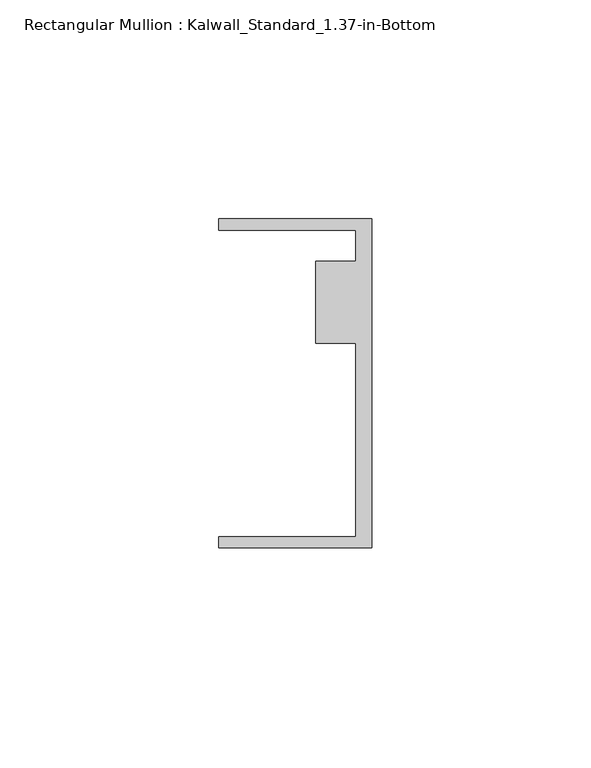
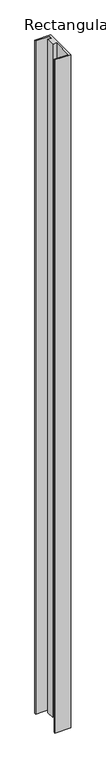
"""IFC4 building model written with IfcOpenShell, lengths in millimetres: member geometry, Rectangular Mullion : Kalwall_Standard_1.37-in-Bottom."""

from ifc_helpers import new_model, si_unit, frame, origin, place, context, project, spatial, polyline, outline, extrude, source, transform, mapped, element, save


def rectangular_mullion_kalwall_standard_1_37_in_bottom_67c25a53(model_context):
    return source(origin(), model_context, "Body", "SweptSolid", [
        extrude(outline(polyline([(0.0, 37.5776386), (0.0, -37.5023614), (-34.925, -37.5023614), (-34.925, -34.9623614), (-3.7084, -34.9623614), (-3.7084, 9.1879886), (-12.8272539, 9.1879886), (-12.8272539, 27.8888568), (-3.7084, 27.8888568), (-3.7084, 35.0376386), (-34.925, 35.0376386), (-34.925, 37.5776386), (0.0, 37.5776386)])), frame((0.0, 0.0, -1552.956), z_axis=(0.0, 0.0, 1.0), x_axis=(1.0, 0.0, 0.0)), (0.0, 0.0, 1.0), 1552.956),
    ])


if __name__ == "__main__":
    model = new_model("IFC4")
    model_context = context("Model", 3, world=origin())
    ifc_project = project(units=[si_unit("LENGTHUNIT", "METRE", prefix="MILLI")], contexts=[model_context])
    site = spatial("IfcSite", under=ifc_project)
    building = spatial("IfcBuilding", under=site)
    placement = place(None, origin())
    rectangular_mullion_kalwall_standard_1_37_in_bottom_shape = rectangular_mullion_kalwall_standard_1_37_in_bottom_67c25a53(model_context)
    element("IfcMember", 1, ObjectType="Rectangular Mullion : Kalwall_Standard_1.37-in-Bottom", at=placement, inside=building, context=model_context, shape_type="MappedRepresentation", body=[
        mapped(rectangular_mullion_kalwall_standard_1_37_in_bottom_shape, transform((0.0, 0.0, 0.0), x_axis=(1.0, 0.0, 0.0), y_axis=(0.0, 1.0, 0.0), z_axis=(0.0, 0.0, 1.0))),
    ])
    save(model, "model.ifc")
